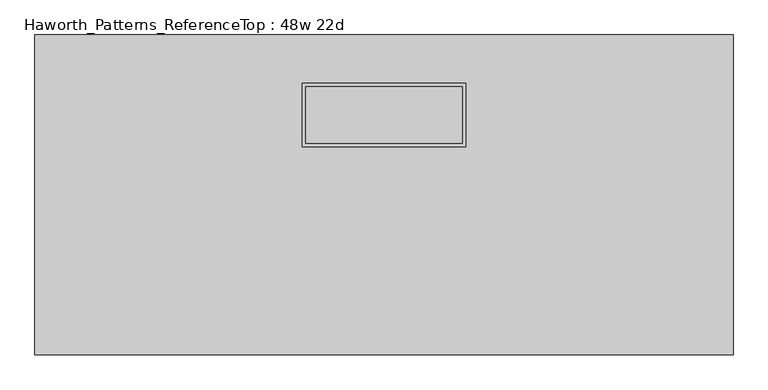
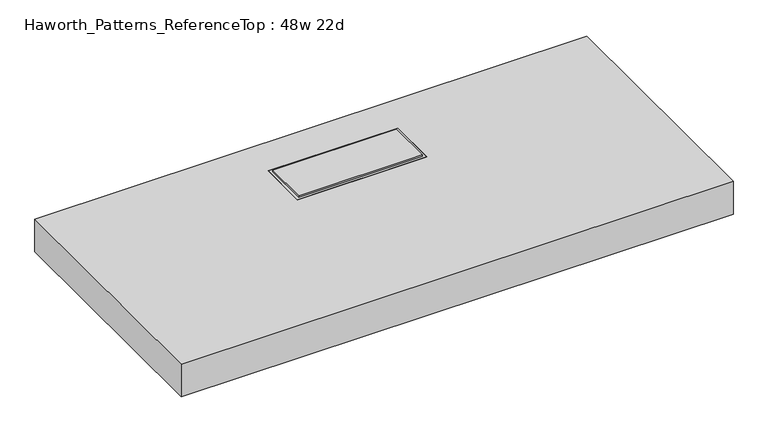
"""IFC4 building model written with IfcOpenShell, lengths in millimetres: furniture geometry, Haworth_Patterns_ReferenceTop : 48w 22d."""

from ifc_helpers import new_model, si_unit, origin, place, context, project, spatial, faceted_brep, source, transform, mapped, element, save


def haworth_patterns_referencetop_48w_22d_ba08d676(model_context):
    return source(origin(), model_context, "Body", "Brep", [
        faceted_brep([(136.525, 188.9125, 1209.675), (-136.525, 188.9125, 1209.675), (-136.525, 90.4875, 1209.675), (136.525, 90.4875, 1209.675), (136.525, 188.9125, 1206.5), (-136.525, 188.9125, 1206.5), (-136.525, 90.4875, 1206.5), (136.525, 90.4875, 1206.5), (142.875, 195.2625, 1136.65), (142.875, 84.1375, 1136.65), (-142.875, 84.1375, 1136.65), (-142.875, 195.2625, 1136.65), (142.875, 195.2625, 1206.5), (-142.875, 195.2625, 1206.5), (-142.875, 84.1375, 1206.5), (142.875, 84.1375, 1206.5)], [[[0, 1, 2, 3]], [[1, 0, 4, 5]], [[2, 1, 5, 6]], [[3, 2, 6, 7]], [[0, 3, 7, 4]], [[8, 9, 10, 11]], [[12, 13, 14, 15], [5, 4, 7, 6]], [[8, 11, 13, 12]], [[11, 10, 14, 13]], [[10, 9, 15, 14]], [[9, 8, 12, 15]]]),
        faceted_brep([(609.6, 279.4, 1206.5), (-609.6, 279.4, 1206.5), (-609.6, -279.4, 1206.5), (609.6, -279.4, 1206.5), (-142.875, 195.2625, 1206.5), (142.875, 195.2625, 1206.5), (142.875, 84.1375, 1206.5), (-142.875, 84.1375, 1206.5), (609.6, 279.4, 1130.3), (609.6, -279.4, 1130.3), (-609.6, -279.4, 1130.3), (-609.6, 279.4, 1130.3), (-142.875, 195.2625, 1136.65), (142.875, 195.2625, 1136.65), (-142.875, 84.1375, 1136.65), (142.875, 84.1375, 1136.65)], [[[0, 1, 2, 3], [4, 5, 6, 7]], [[8, 9, 10, 11]], [[1, 0, 8, 11]], [[2, 1, 11, 10]], [[3, 2, 10, 9]], [[0, 3, 9, 8]], [[12, 13, 5, 4]], [[14, 12, 4, 7]], [[15, 14, 7, 6]], [[13, 15, 6, 5]], [[13, 12, 14, 15]]]),
    ])


if __name__ == "__main__":
    model = new_model("IFC4")
    model_context = context("Model", 3, world=origin())
    ifc_project = project(units=[si_unit("LENGTHUNIT", "METRE", prefix="MILLI")], contexts=[model_context])
    site = spatial("IfcSite", under=ifc_project)
    building = spatial("IfcBuilding", under=site)
    placement = place(None, origin())
    haworth_patterns_referencetop_48w_22d_shape = haworth_patterns_referencetop_48w_22d_ba08d676(model_context)
    element("IfcFurniture", 1, ObjectType="Haworth_Patterns_ReferenceTop : 48w 22d", at=placement, inside=building, context=model_context, shape_type="MappedRepresentation", body=[
        mapped(haworth_patterns_referencetop_48w_22d_shape, transform((0.0, 0.0, 0.0), x_axis=(1.0, 0.0, 0.0), y_axis=(0.0, 1.0, 0.0), z_axis=(0.0, 0.0, 1.0))),
    ])
    save(model, "model.ifc")
